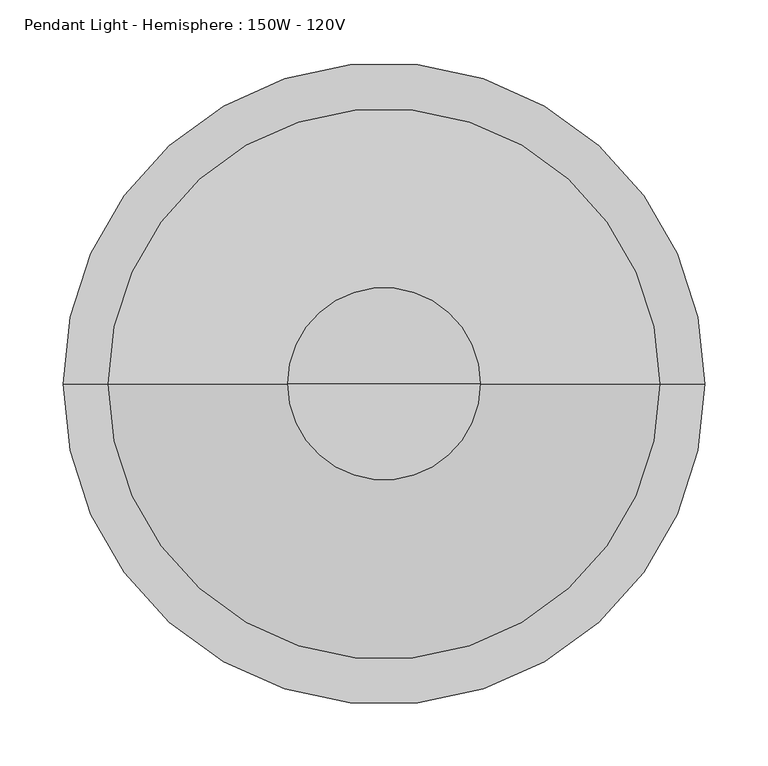
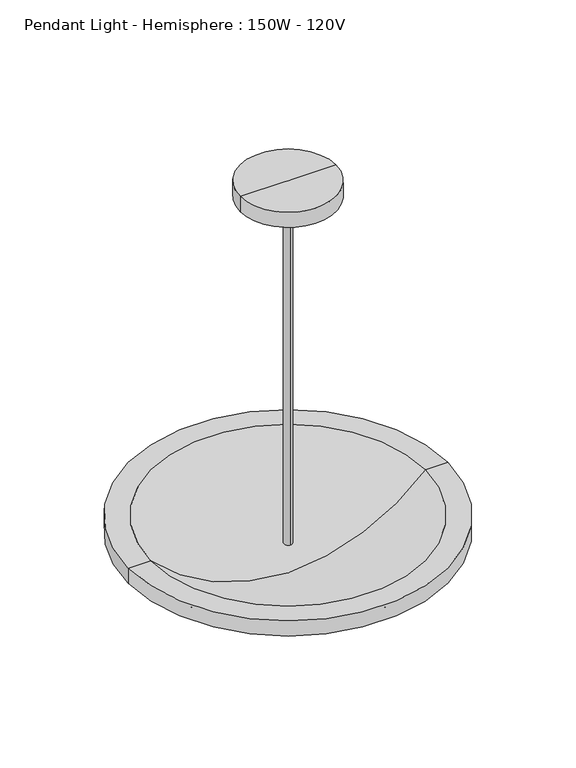
"""IFC4 building model written with IfcOpenShell, lengths in millimetres: light fixture geometry, Pendant Light - Hemisphere : 150W - 120V."""

from ifc_helpers import new_model, si_unit, point, frame, origin, place, context, project, spatial, polyline, circle_curve, ellipse_curve, trimmed, source, transform, mapped, element, save
from ifc_brep_helpers import plane_surface, cylinder_surface, revolved_surface, advanced_brep


def pendant_light_hemisphere_150w_120v_9c66a66f(model_context):
    return source(origin(), model_context, "Body", "AdvancedBrep", [
        advanced_brep(
        [(76.2, 0.0, 2413.0), (-76.2, 0.0, 2413.0), (-76.2, 0.0, 2438.4), (76.2, 0.0, 2438.4), (6.35, 0.0, 2380.4284101), (0.0, 6.35, 2380.4284101), (-6.35, 0.0, 2380.4284101), (0.0, -6.35, 2380.4284101), (-6.35, 0.0, 2438.4), (0.0, 0.0, 2438.4), (6.35, 0.0, 2438.4), (0.0, 6.35, 1828.8000062), (0.0, -6.35, 1828.8000062)],
        [
            (0, 1, circle_curve(frame((0.0, 0.0, 2413.0), z_axis=(0.0, 0.0, 1.0), x_axis=(-1.0, 0.0, 0.0)), 76.2)),
            (1, 2),
            (2, 3, circle_curve(frame((0.0, 0.0, 2438.4), z_axis=(0.0, 0.0, -1.0), x_axis=(-1.0, 0.0, 0.0)), 76.2)),
            (3, 0),
            (1, 0, circle_curve(frame((0.0, 0.0, 2413.0), z_axis=(0.0, 0.0, 1.0), x_axis=(-1.0, 0.0, 0.0)), 76.2)),
            (3, 2, circle_curve(frame((0.0, 0.0, 2438.4), z_axis=(0.0, 0.0, -1.0), x_axis=(-1.0, 0.0, 0.0)), 76.2)),
            (0, 4),
            (4, 5, circle_curve(frame((0.0, 0.0, 2380.4284101), z_axis=(0.0, 0.0, 1.0), x_axis=(-1.0, 0.0, 0.0)), 6.35)),
            (5, 6, circle_curve(frame((0.0, 0.0, 2380.4284101), z_axis=(0.0, 0.0, 1.0), x_axis=(-1.0, 0.0, 0.0)), 6.35)),
            (6, 1),
            (6, 7, circle_curve(frame((0.0, 0.0, 2380.4284101), z_axis=(0.0, 0.0, 1.0), x_axis=(-1.0, 0.0, 0.0)), 6.35)),
            (7, 4, circle_curve(frame((0.0, 0.0, 2380.4284101), z_axis=(0.0, 0.0, 1.0), x_axis=(-1.0, 0.0, 0.0)), 6.35)),
            (2, 8),
            (8, 9),
            (9, 10),
            (10, 3),
            (11, 12, circle_curve(frame((0.0, 0.0, 1828.8000062), z_axis=(0.0, 0.0, -1.0), x_axis=(0.0, -1.0, 0.0)), 6.35)),
            (12, 11, circle_curve(frame((0.0, 0.0, 1828.8000062), z_axis=(0.0, 0.0, -1.0), x_axis=(0.0, -1.0, 0.0)), 6.35)),
            (12, 7),
            (5, 11),
        ],
        [
            cylinder_surface(frame((0.0, 0.0, 2514.6), z_axis=(0.0, 0.0, -1.0), x_axis=(-1.0, 0.0, 0.0)), 76.2),
            revolved_surface(polyline([(-76.2, 0.0, 2413.0), (0.0, 0.0, 2377.4673564)]), (0.0, 0.0, 2514.6), (0.0, 0.0, -1.0)),
            plane_surface(frame((0.0, 0.0, 2438.4), z_axis=(0.0, 0.0, 1.0), x_axis=(-1.0, 0.0, 0.0))),
            plane_surface(frame((0.0, -6.35, 1828.8000062), z_axis=(0.0, 0.0, -1.0), x_axis=(-1.0, 0.0, 0.0))),
            cylinder_surface(frame((0.0, 0.0, 1828.8000062), z_axis=(0.0, 0.0, 1.0), x_axis=(0.0, -1.0, 0.0)), 6.35),
        ],
        [
            (0, [[1, 2, 3, 4]]),
            (0, [[-2, 5, -4, 6]]),
            (1, [[-1, 7, 8, 9, 10]]),
            (1, [[-5, -10, 11, 12, -7]]),
            (2, [[-3, 13, 14, 15, 16]]),
            (2, [[-6, -16, -15, -14, -13]]),
            (3, [[17, 18]]),
            (4, [[-18, 19, -11, -9, 20]]),
            (4, [[-17, -20, -8, -12, -19]]),
        ],
    ),
        advanced_brep(
        [(0.0, 0.0, 1752.5999938), (-228.9004272, 0.0, 1849.3282446), (228.9004272, 0.0, 1849.3282446), (218.3605921, 0.0, 1874.8510876), (-218.3605921, 0.0, 1874.8510876), (0.0, 0.0, 1777.9666257), (254.3004272, 0.0, 1874.8510876), (-254.3004272, 0.0, 1874.8510876), (254.3004272, 0.0, 1849.3282446), (-254.3004272, 0.0, 1849.3282446)],
        [
            (0, 1, circle_curve(frame((5.6276544, 0.0, 2085.1197309), z_axis=(0.0, 1.0, 0.0), x_axis=(0.0, 0.0, -1.0)), 332.5673556)),
            (1, 2, circle_curve(frame((0.0, 0.0, 1849.3282446), z_axis=(0.0, 0.0, -1.0), x_axis=(-1.0, 0.0, 0.0)), 228.9004272)),
            (2, 0, circle_curve(frame((-5.6276544, 0.0, 2085.1197309), z_axis=(0.0, 1.0, 0.0), x_axis=(0.0, 0.0, -1.0)), 332.5673556)),
            (2, 1, circle_curve(frame((0.0, 0.0, 1849.3282446), z_axis=(0.0, 0.0, -1.0), x_axis=(-1.0, 0.0, 0.0)), 228.9004272)),
            (3, 4, circle_curve(frame((0.0, 0.0, 1874.8510876), z_axis=(0.0, 0.0, 1.0), x_axis=(-1.0, 0.0, 0.0)), 218.3605921)),
            (4, 5, circle_curve(frame((7.2507854, 0.0, 2088.8241026), z_axis=(0.0, -1.0, 0.0), x_axis=(0.0, 0.0, -1.0)), 310.9420281)),
            (5, 3, circle_curve(frame((-7.2507854, 0.0, 2088.8241026), z_axis=(0.0, -1.0, 0.0), x_axis=(0.0, 0.0, -1.0)), 310.9420281)),
            (4, 3, circle_curve(frame((0.0, 0.0, 1874.8510876), z_axis=(0.0, 0.0, 1.0), x_axis=(-1.0, 0.0, 0.0)), 218.3605921)),
            (6, 7, circle_curve(frame((0.0, 0.0, 1874.8510876), z_axis=(0.0, 0.0, 1.0), x_axis=(-1.0, 0.0, 0.0)), 254.3004272)),
            (7, 4),
            (3, 6),
            (7, 6, circle_curve(frame((0.0, 0.0, 1874.8510876), z_axis=(0.0, 0.0, 1.0), x_axis=(-1.0, 0.0, 0.0)), 254.3004272)),
            (8, 9, circle_curve(frame((0.0, 0.0, 1849.3282446), z_axis=(0.0, 0.0, 1.0), x_axis=(-1.0, 0.0, 0.0)), 254.3004272)),
            (9, 7),
            (6, 8),
            (9, 8, circle_curve(frame((0.0, 0.0, 1849.3282446), z_axis=(0.0, 0.0, 1.0), x_axis=(-1.0, 0.0, 0.0)), 254.3004272)),
            (1, 9),
            (8, 2),
        ],
        [
            revolved_surface(trimmed(ellipse_curve(frame((5.6276544, 0.0, 2085.1197309), z_axis=(0.0, -1.0, 0.0), x_axis=(0.0, 0.0, -1.0)), 332.5673556, 332.5673556), [point((-228.9004272, 0.0, 1849.3282446))], [point((0.0, 0.0, 1752.5999938))], True, "CARTESIAN"), (0.0, 0.0, 1925.6510876), (0.0, 0.0, -1.0)),
            revolved_surface(trimmed(ellipse_curve(frame((7.2507854, 0.0, 2088.8241026), z_axis=(0.0, 1.0, 0.0), x_axis=(0.0, 0.0, -1.0)), 310.9420281, 310.9420281), [point((0.0, 0.0, 1777.9666257))], [point((-218.3605921, 0.0, 1874.8510876))], True, "CARTESIAN"), (0.0, 0.0, 1925.6510876), (0.0, 0.0, -1.0)),
            plane_surface(frame((0.0, 0.0, 1874.8510876), z_axis=(0.0, 0.0, 1.0), x_axis=(-1.0, 0.0, 0.0))),
            cylinder_surface(frame((0.0, 0.0, 1925.6510876), z_axis=(0.0, 0.0, -1.0), x_axis=(-1.0, 0.0, 0.0)), 254.3004272),
            plane_surface(frame((0.0, 0.0, 1849.3282446), z_axis=(0.0, 0.0, -1.0), x_axis=(-1.0, 0.0, 0.0))),
        ],
        [
            (0, [[1, 2, 3]]),
            (0, [[-3, 4, -1]]),
            (1, [[5, 6, 7]]),
            (1, [[8, -7, -6]]),
            (2, [[9, 10, -5, 11]]),
            (2, [[12, -11, -8, -10]]),
            (3, [[13, 14, -9, 15]]),
            (3, [[16, -15, -12, -14]]),
            (4, [[-2, 17, -13, 18]]),
            (4, [[-4, -18, -16, -17]]),
        ],
    ),
    ])


if __name__ == "__main__":
    model = new_model("IFC4")
    model_context = context("Model", 3, world=origin())
    ifc_project = project(units=[si_unit("LENGTHUNIT", "METRE", prefix="MILLI")], contexts=[model_context])
    site = spatial("IfcSite", under=ifc_project)
    building = spatial("IfcBuilding", under=site)
    placement = place(None, origin())
    pendant_light_hemisphere_150w_120v_shape = pendant_light_hemisphere_150w_120v_9c66a66f(model_context)
    element("IfcLightFixture", 1, ObjectType="Pendant Light - Hemisphere : 150W - 120V", at=placement, inside=building, context=model_context, shape_type="MappedRepresentation", body=[
        mapped(pendant_light_hemisphere_150w_120v_shape, transform((0.0, 0.0, 0.0), x_axis=(1.0, 0.0, 0.0), y_axis=(0.0, 1.0, 0.0), z_axis=(0.0, 0.0, 1.0))),
    ])
    save(model, "model.ifc")
